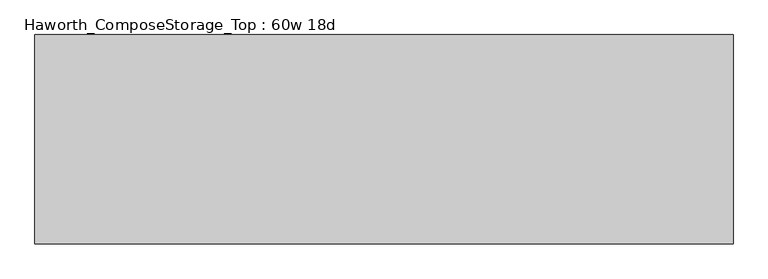
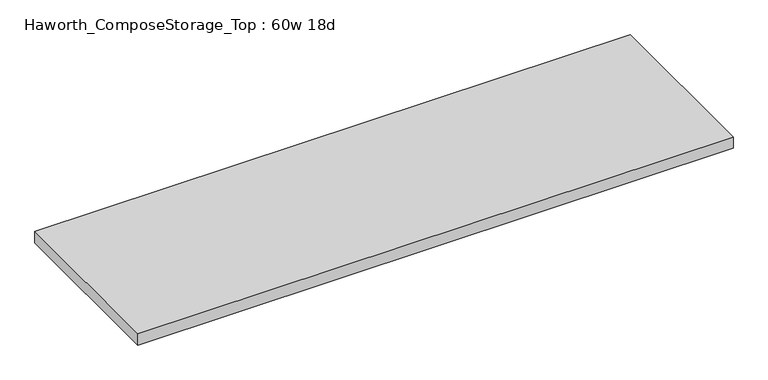
"""IFC4 building model written with IfcOpenShell, lengths in millimetres: furniture geometry, Haworth_ComposeStorage_Top : 60w 18d."""

from ifc_helpers import new_model, si_unit, frame, origin, place, context, project, spatial, polyline, outline, extrude, source, transform, mapped, element, save


def haworth_composestorage_top_60w_18d_dc3922a2(model_context):
    return source(origin(), model_context, "Body", "SweptSolid", [
        extrude(outline(polyline([(762.0, 228.6), (762.0, -228.6), (-762.0, -228.6), (-762.0, 228.6), (762.0, 228.6)])), frame((0.0, 0.0, 706.4375), z_axis=(0.0, 0.0, 1.0), x_axis=(1.0, 0.0, 0.0)), (0.0, 0.0, 1.0), 30.1625),
    ])


if __name__ == "__main__":
    model = new_model("IFC4")
    model_context = context("Model", 3, world=origin())
    ifc_project = project(units=[si_unit("LENGTHUNIT", "METRE", prefix="MILLI")], contexts=[model_context])
    site = spatial("IfcSite", under=ifc_project)
    building = spatial("IfcBuilding", under=site)
    placement = place(None, origin())
    haworth_composestorage_top_60w_18d_shape = haworth_composestorage_top_60w_18d_dc3922a2(model_context)
    element("IfcFurniture", 1, ObjectType="Haworth_ComposeStorage_Top : 60w 18d", at=placement, inside=building, context=model_context, shape_type="MappedRepresentation", body=[
        mapped(haworth_composestorage_top_60w_18d_shape, transform((0.0, 0.0, 0.0), x_axis=(1.0, 0.0, 0.0), y_axis=(0.0, 1.0, 0.0), z_axis=(0.0, 0.0, 1.0))),
    ])
    save(model, "model.ifc")
